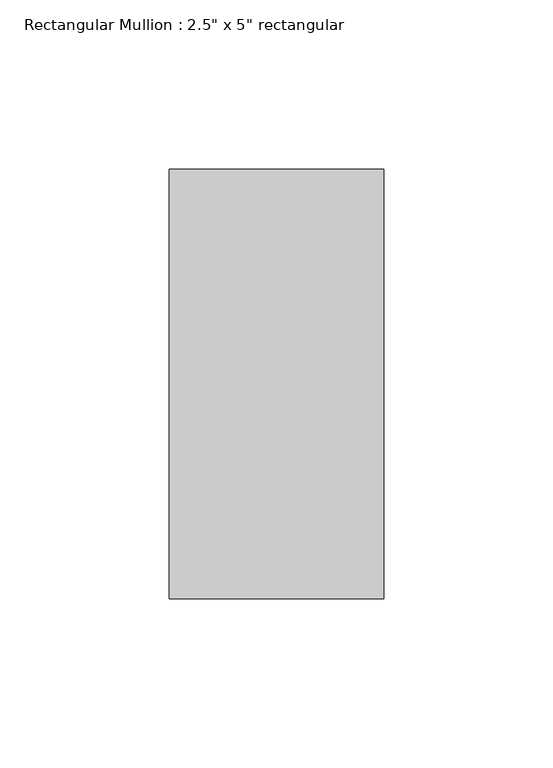
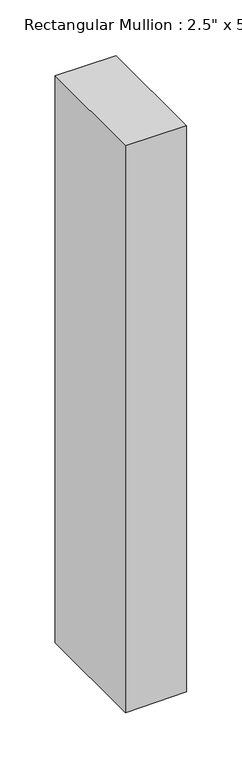
"""IFC4 building model written with IfcOpenShell, lengths in millimetres: member geometry."""

from ifc_helpers import new_model, si_unit, frame, origin, place, context, project, spatial, polyline, outline, extrude, source, transform, mapped, element, save


def member_2e9812de(model_context):
    return source(origin(), model_context, "Body", "SweptSolid", [
        extrude(outline(polyline([(0.0, 0.0), (0.5065873, -63.5), (-623.3401123, -63.5), (-622.8650685, 0.0), (0.0, 0.0)])), frame((0.0, -63.5, 0.0), z_axis=(0.0, 1.0, 0.0), x_axis=(0.0, 0.0, 1.0)), (0.0, 0.0, 1.0), 127.0),
    ])


if __name__ == "__main__":
    model = new_model("IFC4")
    model_context = context("Model", 3, world=origin())
    ifc_project = project(units=[si_unit("LENGTHUNIT", "METRE", prefix="MILLI")], contexts=[model_context])
    site = spatial("IfcSite", under=ifc_project)
    building = spatial("IfcBuilding", under=site)
    placement = place(None, origin())
    member_shape = member_2e9812de(model_context)
    element("IfcMember", 1, ObjectType="Rectangular Mullion : 2.5\" x 5\" rectangular", at=placement, inside=building, context=model_context, shape_type="MappedRepresentation", body=[
        mapped(member_shape, transform((0.0, 0.0, 0.0), x_axis=(1.0, 0.0, 0.0), y_axis=(0.0, 1.0, 0.0), z_axis=(0.0, 0.0, 1.0))),
    ])
    save(model, "model.ifc")
